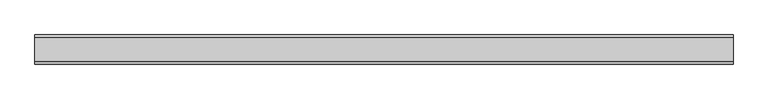
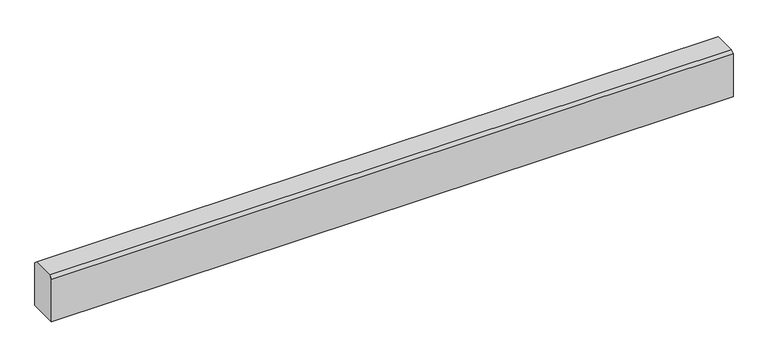
"""IFC4 building model written with IfcOpenShell, lengths in millimetres: proxy geometry."""

from ifc_helpers import new_model, si_unit, frame, origin, place, context, project, spatial, polyline, outline, extrude, source, transform, mapped, element, save


def generic_models_2c7964a3(model_context):
    return source(origin(), model_context, "Body", "SweptSolid", [
        extrude(outline(polyline([(-1155.0540151, -20.0), (-1155.0540151, 138.3316546), (-1144.7856698, 148.6), (-1065.3223642, 148.6), (-1055.0540151, 138.3316509), (-1055.0540151, -20.0), (-1155.0540151, -20.0)])), frame((-10615.3690716, 0.0, 0.0), z_axis=(1.0, 0.0, 0.0), x_axis=(0.0, 1.0, 0.0)), (0.0, 0.0, 1.0), 2400.0),
    ])


if __name__ == "__main__":
    model = new_model("IFC4")
    model_context = context("Model", 3, world=origin())
    ifc_project = project(units=[si_unit("LENGTHUNIT", "METRE", prefix="MILLI")], contexts=[model_context])
    site = spatial("IfcSite", under=ifc_project)
    building = spatial("IfcBuilding", under=site)
    placement = place(None, origin())
    generic_models_shape = generic_models_2c7964a3(model_context)
    element("IfcBuildingElementProxy", 1, Name="Generic Models", at=placement, inside=building, context=model_context, shape_type="MappedRepresentation", body=[
        mapped(generic_models_shape, transform((0.0, 0.0, 0.0), x_axis=(1.0, 0.0, 0.0), y_axis=(0.0, 1.0, 0.0), z_axis=(0.0, 0.0, 1.0))),
    ])
    save(model, "model.ifc")
